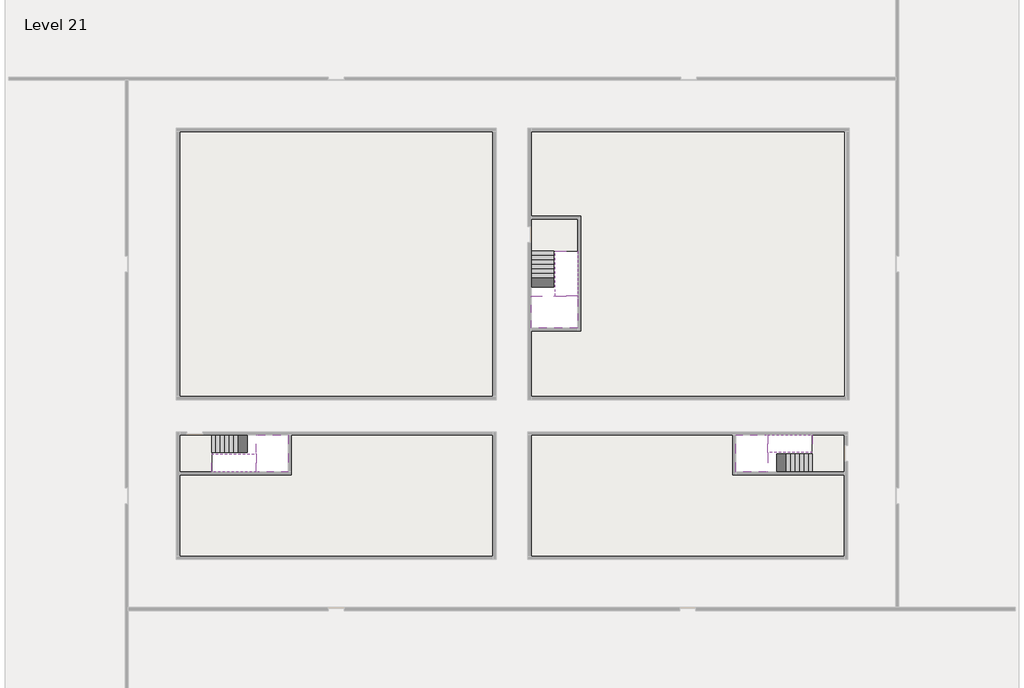
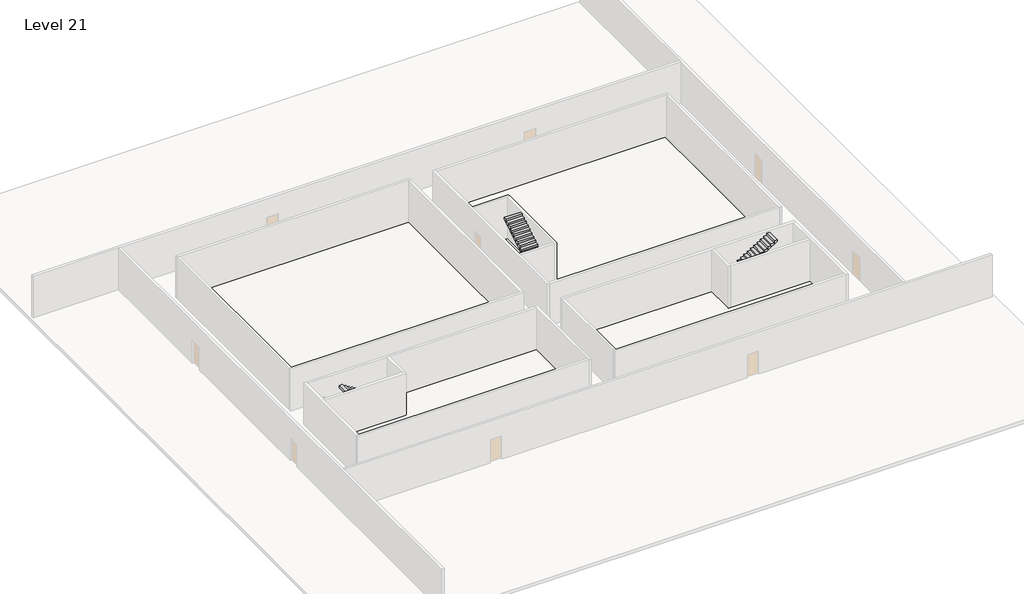
# One storey, part 2 of 2: 6 stair flights, 5 slabs.
"""IFC4 building model written with IfcOpenShell, lengths in millimetres."""

from ifc_helpers import new_model, si_unit, frame, origin, place, context, project, spatial, polyline, outline, extrude, faceted_brep, element, save

model = new_model("IFC4")

# Units and contexts
model_context = context("Model", 3, world=origin())
ifc_project = project(units=[si_unit("LENGTHUNIT", "METRE", prefix="MILLI")], contexts=[model_context])

# Site, building, storey
site = spatial("IfcSite", under=ifc_project)
building = spatial("IfcBuilding", under=site)
storey = spatial("IfcBuildingStorey", under=building, Name="Level 21", Elevation=76000.0)

# Slabs
placement = place(None, origin())
element("IfcSlab", 1, at=placement, inside=storey, context=model_context, shape_type="Brep", body=[
    faceted_brep([(8190.1058784, -42918.09644, 77900.0), (8190.1058784, -44018.09644, 77900.0), (8190.1058784, -44118.09644, 77900.0), (8190.1058784, -45218.09644, 77900.0), (8390.7194421, -45218.09644, 77900.0), (10190.1058784, -45218.09644, 77900.0), (10190.1058784, -42918.09644, 77900.0), (8269.4923146, -42918.09644, 77900.0), (8190.1058784, -42918.09644, 77727.2727273), (8190.1058784, -42918.09644, 77551.0278478), (8190.1058784, -44018.09644, 77551.0278478), (8190.1058784, -44018.09644, 77600.0), (8190.1058784, -44118.09644, 77600.0), (8190.1058784, -44118.09644, 77723.7551205), (8190.1058784, -45218.09644, 77723.7551205), (8390.7194421, -45218.09644, 77600.0), (10190.1058784, -45218.09644, 77600.0), (10190.1058784, -42918.09644, 77600.0), (8269.4923146, -42918.09644, 77600.0), (8390.7194421, -44118.09644, 77600.0), (8269.4923146, -44018.09644, 77600.0)], [[[0, 1, 2, 3, 4, 5, 6, 7]], [[1, 0, 8, 9, 10, 11]], [[2, 1, 11, 12, 13]], [[3, 2, 13, 14]], [[3, 14, 15, 16, 5, 4]], [[6, 5, 16, 17]], [[9, 8, 0, 7, 6, 17, 18]], [[19, 12, 11, 20, 18, 17, 16, 15]], [[12, 19, 13]], [[18, 20, 10, 9]], [[20, 11, 10]], [[19, 15, 14, 13]]]),
])
element("IfcSlab", 2, at=placement, inside=storey, context=model_context, shape_type="Brep", body=[
    faceted_brep([(40190.1058784, -45218.09644, 77900.0), (40190.1058784, -44118.09644, 77900.0), (40190.1058784, -44018.09644, 77900.0), (40190.1058784, -42918.09644, 77900.0), (39989.4923146, -42918.09644, 77900.0), (38190.1058784, -42918.09644, 77900.0), (38190.1058784, -45218.09644, 77900.0), (40110.7194421, -45218.09644, 77900.0), (40190.1058784, -45218.09644, 77727.2727273), (40190.1058784, -45218.09644, 77551.0278478), (40190.1058784, -44118.09644, 77551.0278478), (40190.1058784, -44118.09644, 77600.0), (40190.1058784, -44018.09644, 77600.0), (40190.1058784, -44018.09644, 77723.7551205), (40190.1058784, -42918.09644, 77723.7551205), (39989.4923146, -42918.09644, 77600.0), (38190.1058784, -42918.09644, 77600.0), (38190.1058784, -45218.09644, 77600.0), (40110.7194421, -45218.09644, 77600.0), (39989.4923146, -44018.09644, 77600.0), (40110.7194421, -44118.09644, 77600.0)], [[[0, 1, 2, 3, 4, 5, 6, 7]], [[1, 0, 8, 9, 10, 11]], [[2, 1, 11, 12, 13]], [[3, 2, 13, 14]], [[3, 14, 15, 16, 5, 4]], [[6, 5, 16, 17]], [[9, 8, 0, 7, 6, 17, 18]], [[19, 12, 11, 20, 18, 17, 16, 15]], [[12, 19, 13]], [[18, 20, 10, 9]], [[20, 11, 10]], [[19, 15, 14, 13]]]),
])
element("IfcSlab", 3, at=placement, inside=storey, context=model_context, shape_type="Brep", body=[
    faceted_brep([(26790.1058784, -34218.09644, 77900.0), (25390.1058784, -34218.09644, 77900.0), (25390.1058784, -34297.4828763, 77900.0), (25390.1058784, -36218.09644, 77900.0), (28290.1058784, -36218.09644, 77900.0), (28290.1058784, -34418.7100038, 77900.0), (28290.1058784, -34218.09644, 77900.0), (26890.1058784, -34218.09644, 77900.0), (26790.1058784, -34218.09644, 77600.0), (26790.1058784, -34218.09644, 77551.0278478), (25390.1058784, -34218.09644, 77551.0278478), (25390.1058784, -34218.09644, 77727.2727273), (25390.1058784, -34297.4828763, 77600.0), (25390.1058784, -36218.09644, 77600.0), (28290.1058784, -36218.09644, 77600.0), (28290.1058784, -34418.7100038, 77600.0), (28290.1058784, -34218.09644, 77723.7551205), (26890.1058784, -34218.09644, 77723.7551205), (26890.1058784, -34218.09644, 77600.0), (26890.1058784, -34418.7100038, 77600.0), (26790.1058784, -34297.4828763, 77600.0)], [[[0, 1, 2, 3, 4, 5, 6, 7]], [[1, 0, 8, 9, 10, 11]], [[1, 11, 10, 12, 13, 3, 2]], [[4, 3, 13, 14]], [[4, 14, 15, 16, 6, 5]], [[7, 6, 16, 17]], [[0, 7, 17, 18, 8]], [[18, 19, 15, 14, 13, 12, 20, 8]], [[19, 18, 17]], [[20, 12, 10, 9]], [[8, 20, 9]], [[15, 19, 17, 16]]]),
])
element("IfcSlab", 4, at=placement, inside=storey, context=model_context, shape_type="SweptSolid", body=[
    extrude(outline(polyline([(22990.1058784, -23918.09644), (22990.1058784, -40518.09644), (3390.1058784, -40518.09644), (3390.1058784, -23918.09644), (22990.1058784, -23918.09644)])), frame((0.0, 0.0, 75700.0), z_axis=(0.0, 0.0, 1.0), x_axis=(1.0, 0.0, 0.0)), (0.0, 0.0, 1.0), 300.0),
    extrude(outline(polyline([(44990.1058784, -23918.09644), (44990.1058784, -40518.09644), (25390.1058784, -40518.09644), (25390.1058784, -36418.09644), (28490.1058784, -36418.09644), (28490.1058784, -29218.09644), (25390.1058784, -29218.09644), (25390.1058784, -23918.09644), (44990.1058784, -23918.09644)])), frame((0.0, 0.0, 75700.0), z_axis=(0.0, 0.0, 1.0), x_axis=(1.0, 0.0, 0.0)), (0.0, 0.0, 1.0), 300.0),
    extrude(outline(polyline([(22990.1058784, -42918.09644), (22990.1058784, -50518.09644), (3390.1058784, -50518.09644), (3390.1058784, -45418.09644), (10390.1058784, -45418.09644), (10390.1058784, -42918.09644), (22990.1058784, -42918.09644)])), frame((0.0, 0.0, 75700.0), z_axis=(0.0, 0.0, 1.0), x_axis=(1.0, 0.0, 0.0)), (0.0, 0.0, 1.0), 300.0),
    extrude(outline(polyline([(37990.1058784, -42918.09644), (37990.1058784, -45418.09644), (44990.1058784, -45418.09644), (44990.1058784, -50518.09644), (25390.1058784, -50518.09644), (25390.1058784, -42918.09644), (37990.1058784, -42918.09644)])), frame((0.0, 0.0, 75700.0), z_axis=(0.0, 0.0, 1.0), x_axis=(1.0, 0.0, 0.0)), (0.0, 0.0, 1.0), 300.0),
])
element("IfcSlab", 5, at=placement, inside=storey, context=model_context, shape_type="SweptSolid", body=[
    extrude(outline(polyline([(44990.1058784, -42918.09644), (44990.1058784, -45218.09644), (42990.1058784, -45218.09644), (42990.1058784, -42918.09644), (44990.1058784, -42918.09644)])), frame((0.0, 0.0, 75700.0), z_axis=(0.0, 0.0, 1.0), x_axis=(1.0, 0.0, 0.0)), (0.0, 0.0, 1.0), 300.0),
    extrude(outline(polyline([(5390.1058784, -42918.09644), (5390.1058784, -45218.09644), (3390.1058784, -45218.09644), (3390.1058784, -42918.09644), (5390.1058784, -42918.09644)])), frame((0.0, 0.0, 75700.0), z_axis=(0.0, 0.0, 1.0), x_axis=(1.0, 0.0, 0.0)), (0.0, 0.0, 1.0), 300.0),
    extrude(outline(polyline([(28290.1058784, -29418.09644), (28290.1058784, -31418.09644), (25390.1058784, -31418.09644), (25390.1058784, -29418.09644), (28290.1058784, -29418.09644)])), frame((0.0, 0.0, 75700.0), z_axis=(0.0, 0.0, 1.0), x_axis=(1.0, 0.0, 0.0)), (0.0, 0.0, 1.0), 300.0),
])

# Stair flights
element("IfcStairFlight", 6, at=placement, inside=storey, context=model_context, shape_type="Brep", body=[
    faceted_brep([(5670.1058784, -42918.09644, 76172.7272727), (5390.1058784, -42918.09644, 76172.7272727), (5390.1058784, -44018.09644, 76172.7272727), (5670.1058784, -44018.09644, 76172.7272727), (5670.1058784, -42918.09644, 76000.0), (5390.1058784, -42918.09644, 76000.0), (5390.1058784, -44018.09644, 76000.0), (5670.1058784, -44018.09644, 76000.0), (5950.1058784, -42918.09644, 76345.4545455), (5670.1058784, -42918.09644, 76345.4545455), (5670.1058784, -44018.09644, 76345.4545455), (5950.1058784, -44018.09644, 76345.4545455), (5950.1058784, -42918.09644, 76169.209666), (5675.8081041, -42918.09644, 76000.0), (5675.8081041, -44018.09644, 76000.0), (5950.1058784, -44018.09644, 76169.209666), (6230.1058784, -42918.09644, 76518.1818182), (5950.1058784, -42918.09644, 76518.1818182), (5950.1058784, -44018.09644, 76518.1818182), (6230.1058784, -44018.09644, 76518.1818182), (6230.1058784, -42918.09644, 76341.9369387), (6230.1058784, -44018.09644, 76341.9369387), (6510.1058784, -42918.09644, 76690.9090909), (6230.1058784, -42918.09644, 76690.9090909), (6230.1058784, -44018.09644, 76690.9090909), (6510.1058784, -44018.09644, 76690.9090909), (6510.1058784, -42918.09644, 76514.6642114), (6510.1058784, -44018.09644, 76514.6642114), (6790.1058784, -42918.09644, 76863.6363636), (6510.1058784, -42918.09644, 76863.6363636), (6510.1058784, -44018.09644, 76863.6363636), (6790.1058784, -44018.09644, 76863.6363636), (6790.1058784, -42918.09644, 76687.3914841), (6790.1058784, -44018.09644, 76687.3914841), (7070.1058784, -42918.09644, 77036.3636364), (6790.1058784, -42918.09644, 77036.3636364), (6790.1058784, -44018.09644, 77036.3636364), (7070.1058784, -44018.09644, 77036.3636364), (7070.1058784, -42918.09644, 76860.1187569), (7070.1058784, -44018.09644, 76860.1187569), (7350.1058784, -42918.09644, 77209.0909091), (7070.1058784, -42918.09644, 77209.0909091), (7070.1058784, -44018.09644, 77209.0909091), (7350.1058784, -44018.09644, 77209.0909091), (7350.1058784, -42918.09644, 77032.8460296), (7350.1058784, -44018.09644, 77032.8460296), (7630.1058784, -42918.09644, 77381.8181818), (7350.1058784, -42918.09644, 77381.8181818), (7350.1058784, -44018.09644, 77381.8181818), (7630.1058784, -44018.09644, 77381.8181818), (7630.1058784, -42918.09644, 77205.5733023), (7630.1058784, -44018.09644, 77205.5733023), (7910.1058784, -42918.09644, 77554.5454545), (7630.1058784, -42918.09644, 77554.5454545), (7630.1058784, -44018.09644, 77554.5454545), (7910.1058784, -44018.09644, 77554.5454545), (7910.1058784, -42918.09644, 77378.3005751), (7910.1058784, -44018.09644, 77378.3005751), (8190.1058784, -42918.09644, 77727.2727273), (7910.1058784, -42918.09644, 77727.2727273), (7910.1058784, -44018.09644, 77727.2727273), (8190.1058784, -44018.09644, 77727.2727273), (8190.1058784, -42918.09644, 77551.0278478), (8190.1058784, -44018.09644, 77551.0278478), (8190.1058784, -44018.09644, 77600.0)], [[[0, 1, 2, 3]], [[1, 0, 4, 5]], [[2, 1, 5, 6]], [[3, 2, 6, 7]], [[8, 9, 10, 11]], [[4, 0, 9, 8, 12, 13]], [[0, 3, 10, 9]], [[3, 7, 14, 15, 11, 10]], [[16, 17, 18, 19]], [[17, 16, 20, 12, 8]], [[8, 11, 18, 17]], [[19, 18, 11, 15, 21]], [[22, 23, 24, 25]], [[23, 22, 26, 20, 16]], [[16, 19, 24, 23]], [[25, 24, 19, 21, 27]], [[28, 29, 30, 31]], [[29, 28, 32, 26, 22]], [[22, 25, 30, 29]], [[31, 30, 25, 27, 33]], [[34, 35, 36, 37]], [[35, 34, 38, 32, 28]], [[28, 31, 36, 35]], [[37, 36, 31, 33, 39]], [[40, 41, 42, 43]], [[41, 40, 44, 38, 34]], [[34, 37, 42, 41]], [[43, 42, 37, 39, 45]], [[46, 47, 48, 49]], [[47, 46, 50, 44, 40]], [[40, 43, 48, 47]], [[49, 48, 43, 45, 51]], [[52, 53, 54, 55]], [[53, 52, 56, 50, 46]], [[46, 49, 54, 53]], [[55, 54, 49, 51, 57]], [[58, 59, 60, 61]], [[59, 58, 62, 56, 52]], [[52, 55, 60, 59]], [[61, 60, 55, 57, 63, 64]], [[58, 61, 64, 63, 62]], [[5, 4, 13, 14, 7, 6]], [[14, 13, 12, 20, 26, 32, 38, 44, 50, 56, 62, 63, 57, 51, 45, 39, 33, 27, 21, 15]]]),
])
element("IfcStairFlight", 7, at=placement, inside=storey, context=model_context, shape_type="Brep", body=[
    faceted_brep([(7910.1058784, -45218.09644, 78072.7272727), (8190.1058784, -45218.09644, 78072.7272727), (8190.1058784, -44118.09644, 78072.7272727), (7910.1058784, -44118.09644, 78072.7272727), (7910.1058784, -45218.09644, 77896.4823932), (8190.1058784, -45218.09644, 77723.7551205), (8190.1058784, -45218.09644, 77900.0), (8190.1058784, -44118.09644, 77723.7551205), (7910.1058784, -44118.09644, 77896.4823932), (7630.1058784, -45218.09644, 78245.4545455), (7910.1058784, -45218.09644, 78245.4545455), (7910.1058784, -44118.09644, 78245.4545455), (7630.1058784, -44118.09644, 78245.4545455), (7630.1058784, -45218.09644, 78069.209666), (7630.1058784, -44118.09644, 78069.209666), (7350.1058784, -45218.09644, 78418.1818182), (7630.1058784, -45218.09644, 78418.1818182), (7630.1058784, -44118.09644, 78418.1818182), (7350.1058784, -44118.09644, 78418.1818182), (7350.1058784, -45218.09644, 78241.9369387), (7350.1058784, -44118.09644, 78241.9369387), (7070.1058784, -45218.09644, 78590.9090909), (7350.1058784, -45218.09644, 78590.9090909), (7350.1058784, -44118.09644, 78590.9090909), (7070.1058784, -44118.09644, 78590.9090909), (7070.1058784, -45218.09644, 78414.6642114), (7070.1058784, -44118.09644, 78414.6642114), (6790.1058784, -45218.09644, 78763.6363636), (7070.1058784, -45218.09644, 78763.6363636), (7070.1058784, -44118.09644, 78763.6363636), (6790.1058784, -44118.09644, 78763.6363636), (6790.1058784, -45218.09644, 78587.3914841), (6790.1058784, -44118.09644, 78587.3914841), (6510.1058784, -45218.09644, 78936.3636364), (6790.1058784, -45218.09644, 78936.3636364), (6790.1058784, -44118.09644, 78936.3636364), (6510.1058784, -44118.09644, 78936.3636364), (6510.1058784, -45218.09644, 78760.1187569), (6510.1058784, -44118.09644, 78760.1187569), (6230.1058784, -45218.09644, 79109.0909091), (6510.1058784, -45218.09644, 79109.0909091), (6510.1058784, -44118.09644, 79109.0909091), (6230.1058784, -44118.09644, 79109.0909091), (6230.1058784, -45218.09644, 78932.8460296), (6230.1058784, -44118.09644, 78932.8460296), (5950.1058784, -45218.09644, 79281.8181818), (6230.1058784, -45218.09644, 79281.8181818), (6230.1058784, -44118.09644, 79281.8181818), (5950.1058784, -44118.09644, 79281.8181818), (5950.1058784, -45218.09644, 79105.5733023), (5950.1058784, -44118.09644, 79105.5733023), (5670.1058784, -45218.09644, 79454.5454545), (5950.1058784, -45218.09644, 79454.5454545), (5950.1058784, -44118.09644, 79454.5454545), (5670.1058784, -44118.09644, 79454.5454545), (5670.1058784, -45218.09644, 79278.3005751), (5670.1058784, -44118.09644, 79278.3005751), (5390.1058784, -45218.09644, 79627.2727273), (5670.1058784, -45218.09644, 79627.2727273), (5670.1058784, -44118.09644, 79627.2727273), (5390.1058784, -44118.09644, 79627.2727273), (5390.1058784, -45218.09644, 79451.0278478), (5390.1058784, -44118.09644, 79451.0278478)], [[[0, 1, 2, 3]], [[1, 0, 4, 5, 6]], [[2, 1, 6, 5, 7]], [[3, 2, 7, 8]], [[9, 10, 11, 12]], [[10, 9, 13, 4, 0]], [[11, 10, 0, 3]], [[12, 11, 3, 8, 14]], [[15, 16, 17, 18]], [[16, 15, 19, 13, 9]], [[17, 16, 9, 12]], [[18, 17, 12, 14, 20]], [[21, 22, 23, 24]], [[22, 21, 25, 19, 15]], [[23, 22, 15, 18]], [[24, 23, 18, 20, 26]], [[27, 28, 29, 30]], [[28, 27, 31, 25, 21]], [[29, 28, 21, 24]], [[30, 29, 24, 26, 32]], [[33, 34, 35, 36]], [[34, 33, 37, 31, 27]], [[35, 34, 27, 30]], [[36, 35, 30, 32, 38]], [[39, 40, 41, 42]], [[40, 39, 43, 37, 33]], [[41, 40, 33, 36]], [[42, 41, 36, 38, 44]], [[45, 46, 47, 48]], [[46, 45, 49, 43, 39]], [[47, 46, 39, 42]], [[48, 47, 42, 44, 50]], [[51, 52, 53, 54]], [[52, 51, 55, 49, 45]], [[53, 52, 45, 48]], [[54, 53, 48, 50, 56]], [[57, 58, 59, 60]], [[58, 57, 61, 55, 51]], [[59, 58, 51, 54]], [[60, 59, 54, 56, 62]], [[57, 60, 62, 61]], [[5, 4, 13, 19, 25, 31, 37, 43, 49, 55, 61, 62, 56, 50, 44, 38, 32, 26, 20, 14, 8, 7]]]),
])
element("IfcStairFlight", 8, at=placement, inside=storey, context=model_context, shape_type="Brep", body=[
    faceted_brep([(42710.1058784, -45218.09644, 76172.7272727), (42990.1058784, -45218.09644, 76172.7272727), (42990.1058784, -44118.09644, 76172.7272727), (42710.1058784, -44118.09644, 76172.7272727), (42710.1058784, -45218.09644, 76000.0), (42990.1058784, -45218.09644, 76000.0), (42990.1058784, -44118.09644, 76000.0), (42710.1058784, -44118.09644, 76000.0), (42430.1058784, -45218.09644, 76345.4545455), (42710.1058784, -45218.09644, 76345.4545455), (42710.1058784, -44118.09644, 76345.4545455), (42430.1058784, -44118.09644, 76345.4545455), (42430.1058784, -45218.09644, 76169.209666), (42704.4036527, -45218.09644, 76000.0), (42704.4036527, -44118.09644, 76000.0), (42430.1058784, -44118.09644, 76169.209666), (42150.1058784, -45218.09644, 76518.1818182), (42430.1058784, -45218.09644, 76518.1818182), (42430.1058784, -44118.09644, 76518.1818182), (42150.1058784, -44118.09644, 76518.1818182), (42150.1058784, -45218.09644, 76341.9369387), (42150.1058784, -44118.09644, 76341.9369387), (41870.1058784, -45218.09644, 76690.9090909), (42150.1058784, -45218.09644, 76690.9090909), (42150.1058784, -44118.09644, 76690.9090909), (41870.1058784, -44118.09644, 76690.9090909), (41870.1058784, -45218.09644, 76514.6642114), (41870.1058784, -44118.09644, 76514.6642114), (41590.1058784, -45218.09644, 76863.6363636), (41870.1058784, -45218.09644, 76863.6363636), (41870.1058784, -44118.09644, 76863.6363636), (41590.1058784, -44118.09644, 76863.6363636), (41590.1058784, -45218.09644, 76687.3914841), (41590.1058784, -44118.09644, 76687.3914841), (41310.1058784, -45218.09644, 77036.3636364), (41590.1058784, -45218.09644, 77036.3636364), (41590.1058784, -44118.09644, 77036.3636364), (41310.1058784, -44118.09644, 77036.3636364), (41310.1058784, -45218.09644, 76860.1187569), (41310.1058784, -44118.09644, 76860.1187569), (41030.1058784, -45218.09644, 77209.0909091), (41310.1058784, -45218.09644, 77209.0909091), (41310.1058784, -44118.09644, 77209.0909091), (41030.1058784, -44118.09644, 77209.0909091), (41030.1058784, -45218.09644, 77032.8460296), (41030.1058784, -44118.09644, 77032.8460296), (40750.1058784, -45218.09644, 77381.8181818), (41030.1058784, -45218.09644, 77381.8181818), (41030.1058784, -44118.09644, 77381.8181818), (40750.1058784, -44118.09644, 77381.8181818), (40750.1058784, -45218.09644, 77205.5733023), (40750.1058784, -44118.09644, 77205.5733023), (40470.1058784, -45218.09644, 77554.5454545), (40750.1058784, -45218.09644, 77554.5454545), (40750.1058784, -44118.09644, 77554.5454545), (40470.1058784, -44118.09644, 77554.5454545), (40470.1058784, -45218.09644, 77378.3005751), (40470.1058784, -44118.09644, 77378.3005751), (40190.1058784, -45218.09644, 77727.2727273), (40470.1058784, -45218.09644, 77727.2727273), (40470.1058784, -44118.09644, 77727.2727273), (40190.1058784, -44118.09644, 77727.2727273), (40190.1058784, -45218.09644, 77551.0278478), (40190.1058784, -44118.09644, 77551.0278478), (40190.1058784, -44118.09644, 77600.0)], [[[0, 1, 2, 3]], [[1, 0, 4, 5]], [[2, 1, 5, 6]], [[3, 2, 6, 7]], [[8, 9, 10, 11]], [[4, 0, 9, 8, 12, 13]], [[0, 3, 10, 9]], [[3, 7, 14, 15, 11, 10]], [[16, 17, 18, 19]], [[17, 16, 20, 12, 8]], [[8, 11, 18, 17]], [[19, 18, 11, 15, 21]], [[22, 23, 24, 25]], [[23, 22, 26, 20, 16]], [[16, 19, 24, 23]], [[25, 24, 19, 21, 27]], [[28, 29, 30, 31]], [[29, 28, 32, 26, 22]], [[22, 25, 30, 29]], [[31, 30, 25, 27, 33]], [[34, 35, 36, 37]], [[35, 34, 38, 32, 28]], [[28, 31, 36, 35]], [[37, 36, 31, 33, 39]], [[40, 41, 42, 43]], [[41, 40, 44, 38, 34]], [[34, 37, 42, 41]], [[43, 42, 37, 39, 45]], [[46, 47, 48, 49]], [[47, 46, 50, 44, 40]], [[40, 43, 48, 47]], [[49, 48, 43, 45, 51]], [[52, 53, 54, 55]], [[53, 52, 56, 50, 46]], [[46, 49, 54, 53]], [[55, 54, 49, 51, 57]], [[58, 59, 60, 61]], [[59, 58, 62, 56, 52]], [[52, 55, 60, 59]], [[61, 60, 55, 57, 63, 64]], [[58, 61, 64, 63, 62]], [[5, 4, 13, 14, 7, 6]], [[14, 13, 12, 20, 26, 32, 38, 44, 50, 56, 62, 63, 57, 51, 45, 39, 33, 27, 21, 15]]]),
])
element("IfcStairFlight", 9, at=placement, inside=storey, context=model_context, shape_type="Brep", body=[
    faceted_brep([(40470.1058784, -42918.09644, 78072.7272727), (40190.1058784, -42918.09644, 78072.7272727), (40190.1058784, -44018.09644, 78072.7272727), (40470.1058784, -44018.09644, 78072.7272727), (40470.1058784, -42918.09644, 77896.4823932), (40190.1058784, -42918.09644, 77723.7551205), (40190.1058784, -42918.09644, 77900.0), (40190.1058784, -44018.09644, 77723.7551205), (40470.1058784, -44018.09644, 77896.4823932), (40750.1058784, -42918.09644, 78245.4545455), (40470.1058784, -42918.09644, 78245.4545455), (40470.1058784, -44018.09644, 78245.4545455), (40750.1058784, -44018.09644, 78245.4545455), (40750.1058784, -42918.09644, 78069.209666), (40750.1058784, -44018.09644, 78069.209666), (41030.1058784, -42918.09644, 78418.1818182), (40750.1058784, -42918.09644, 78418.1818182), (40750.1058784, -44018.09644, 78418.1818182), (41030.1058784, -44018.09644, 78418.1818182), (41030.1058784, -42918.09644, 78241.9369387), (41030.1058784, -44018.09644, 78241.9369387), (41310.1058784, -42918.09644, 78590.9090909), (41030.1058784, -42918.09644, 78590.9090909), (41030.1058784, -44018.09644, 78590.9090909), (41310.1058784, -44018.09644, 78590.9090909), (41310.1058784, -42918.09644, 78414.6642114), (41310.1058784, -44018.09644, 78414.6642114), (41590.1058784, -42918.09644, 78763.6363636), (41310.1058784, -42918.09644, 78763.6363636), (41310.1058784, -44018.09644, 78763.6363636), (41590.1058784, -44018.09644, 78763.6363636), (41590.1058784, -42918.09644, 78587.3914841), (41590.1058784, -44018.09644, 78587.3914841), (41870.1058784, -42918.09644, 78936.3636364), (41590.1058784, -42918.09644, 78936.3636364), (41590.1058784, -44018.09644, 78936.3636364), (41870.1058784, -44018.09644, 78936.3636364), (41870.1058784, -42918.09644, 78760.1187569), (41870.1058784, -44018.09644, 78760.1187569), (42150.1058784, -42918.09644, 79109.0909091), (41870.1058784, -42918.09644, 79109.0909091), (41870.1058784, -44018.09644, 79109.0909091), (42150.1058784, -44018.09644, 79109.0909091), (42150.1058784, -42918.09644, 78932.8460296), (42150.1058784, -44018.09644, 78932.8460296), (42430.1058784, -42918.09644, 79281.8181818), (42150.1058784, -42918.09644, 79281.8181818), (42150.1058784, -44018.09644, 79281.8181818), (42430.1058784, -44018.09644, 79281.8181818), (42430.1058784, -42918.09644, 79105.5733023), (42430.1058784, -44018.09644, 79105.5733023), (42710.1058784, -42918.09644, 79454.5454545), (42430.1058784, -42918.09644, 79454.5454545), (42430.1058784, -44018.09644, 79454.5454545), (42710.1058784, -44018.09644, 79454.5454545), (42710.1058784, -42918.09644, 79278.3005751), (42710.1058784, -44018.09644, 79278.3005751), (42990.1058784, -42918.09644, 79627.2727273), (42710.1058784, -42918.09644, 79627.2727273), (42710.1058784, -44018.09644, 79627.2727273), (42990.1058784, -44018.09644, 79627.2727273), (42990.1058784, -42918.09644, 79451.0278478), (42990.1058784, -44018.09644, 79451.0278478)], [[[0, 1, 2, 3]], [[1, 0, 4, 5, 6]], [[2, 1, 6, 5, 7]], [[3, 2, 7, 8]], [[9, 10, 11, 12]], [[10, 9, 13, 4, 0]], [[11, 10, 0, 3]], [[12, 11, 3, 8, 14]], [[15, 16, 17, 18]], [[16, 15, 19, 13, 9]], [[17, 16, 9, 12]], [[18, 17, 12, 14, 20]], [[21, 22, 23, 24]], [[22, 21, 25, 19, 15]], [[23, 22, 15, 18]], [[24, 23, 18, 20, 26]], [[27, 28, 29, 30]], [[28, 27, 31, 25, 21]], [[29, 28, 21, 24]], [[30, 29, 24, 26, 32]], [[33, 34, 35, 36]], [[34, 33, 37, 31, 27]], [[35, 34, 27, 30]], [[36, 35, 30, 32, 38]], [[39, 40, 41, 42]], [[40, 39, 43, 37, 33]], [[41, 40, 33, 36]], [[42, 41, 36, 38, 44]], [[45, 46, 47, 48]], [[46, 45, 49, 43, 39]], [[47, 46, 39, 42]], [[48, 47, 42, 44, 50]], [[51, 52, 53, 54]], [[52, 51, 55, 49, 45]], [[53, 52, 45, 48]], [[54, 53, 48, 50, 56]], [[57, 58, 59, 60]], [[58, 57, 61, 55, 51]], [[59, 58, 51, 54]], [[60, 59, 54, 56, 62]], [[57, 60, 62, 61]], [[5, 4, 13, 19, 25, 31, 37, 43, 49, 55, 61, 62, 56, 50, 44, 38, 32, 26, 20, 14, 8, 7]]]),
])
element("IfcStairFlight", 10, at=placement, inside=storey, context=model_context, shape_type="Brep", body=[
    faceted_brep([(26790.1058784, -31698.09644, 76172.7272727), (26790.1058784, -31418.09644, 76172.7272727), (25390.1058784, -31418.09644, 76172.7272727), (25390.1058784, -31698.09644, 76172.7272727), (26790.1058784, -31698.09644, 76000.0), (26790.1058784, -31418.09644, 76000.0), (25390.1058784, -31418.09644, 76000.0), (25390.1058784, -31698.09644, 76000.0), (26790.1058784, -31978.09644, 76345.4545455), (26790.1058784, -31698.09644, 76345.4545455), (25390.1058784, -31698.09644, 76345.4545455), (25390.1058784, -31978.09644, 76345.4545455), (26790.1058784, -31978.09644, 76169.209666), (26790.1058784, -31703.7986657, 76000.0), (25390.1058784, -31703.7986657, 76000.0), (25390.1058784, -31978.09644, 76169.209666), (26790.1058784, -32258.09644, 76518.1818182), (26790.1058784, -31978.09644, 76518.1818182), (25390.1058784, -31978.09644, 76518.1818182), (25390.1058784, -32258.09644, 76518.1818182), (26790.1058784, -32258.09644, 76341.9369387), (25390.1058784, -32258.09644, 76341.9369387), (26790.1058784, -32538.09644, 76690.9090909), (26790.1058784, -32258.09644, 76690.9090909), (25390.1058784, -32258.09644, 76690.9090909), (25390.1058784, -32538.09644, 76690.9090909), (26790.1058784, -32538.09644, 76514.6642114), (25390.1058784, -32538.09644, 76514.6642114), (26790.1058784, -32818.09644, 76863.6363636), (26790.1058784, -32538.09644, 76863.6363636), (25390.1058784, -32538.09644, 76863.6363636), (25390.1058784, -32818.09644, 76863.6363636), (26790.1058784, -32818.09644, 76687.3914841), (25390.1058784, -32818.09644, 76687.3914841), (26790.1058784, -33098.09644, 77036.3636364), (26790.1058784, -32818.09644, 77036.3636364), (25390.1058784, -32818.09644, 77036.3636364), (25390.1058784, -33098.09644, 77036.3636364), (26790.1058784, -33098.09644, 76860.1187569), (25390.1058784, -33098.09644, 76860.1187569), (26790.1058784, -33378.09644, 77209.0909091), (26790.1058784, -33098.09644, 77209.0909091), (25390.1058784, -33098.09644, 77209.0909091), (25390.1058784, -33378.09644, 77209.0909091), (26790.1058784, -33378.09644, 77032.8460296), (25390.1058784, -33378.09644, 77032.8460296), (26790.1058784, -33658.09644, 77381.8181818), (26790.1058784, -33378.09644, 77381.8181818), (25390.1058784, -33378.09644, 77381.8181818), (25390.1058784, -33658.09644, 77381.8181818), (26790.1058784, -33658.09644, 77205.5733023), (25390.1058784, -33658.09644, 77205.5733023), (26790.1058784, -33938.09644, 77554.5454545), (26790.1058784, -33658.09644, 77554.5454545), (25390.1058784, -33658.09644, 77554.5454545), (25390.1058784, -33938.09644, 77554.5454545), (26790.1058784, -33938.09644, 77378.3005751), (25390.1058784, -33938.09644, 77378.3005751), (26790.1058784, -34218.09644, 77727.2727273), (26790.1058784, -33938.09644, 77727.2727273), (25390.1058784, -33938.09644, 77727.2727273), (25390.1058784, -34218.09644, 77727.2727273), (26790.1058784, -34218.09644, 77600.0), (26790.1058784, -34218.09644, 77551.0278478), (25390.1058784, -34218.09644, 77551.0278478)], [[[0, 1, 2, 3]], [[1, 0, 4, 5]], [[2, 1, 5, 6]], [[3, 2, 6, 7]], [[8, 9, 10, 11]], [[4, 0, 9, 8, 12, 13]], [[0, 3, 10, 9]], [[3, 7, 14, 15, 11, 10]], [[16, 17, 18, 19]], [[17, 16, 20, 12, 8]], [[8, 11, 18, 17]], [[19, 18, 11, 15, 21]], [[22, 23, 24, 25]], [[23, 22, 26, 20, 16]], [[16, 19, 24, 23]], [[25, 24, 19, 21, 27]], [[28, 29, 30, 31]], [[29, 28, 32, 26, 22]], [[22, 25, 30, 29]], [[31, 30, 25, 27, 33]], [[34, 35, 36, 37]], [[35, 34, 38, 32, 28]], [[28, 31, 36, 35]], [[37, 36, 31, 33, 39]], [[40, 41, 42, 43]], [[41, 40, 44, 38, 34]], [[34, 37, 42, 41]], [[43, 42, 37, 39, 45]], [[46, 47, 48, 49]], [[47, 46, 50, 44, 40]], [[40, 43, 48, 47]], [[49, 48, 43, 45, 51]], [[52, 53, 54, 55]], [[53, 52, 56, 50, 46]], [[46, 49, 54, 53]], [[55, 54, 49, 51, 57]], [[58, 59, 60, 61]], [[59, 58, 62, 63, 56, 52]], [[52, 55, 60, 59]], [[61, 60, 55, 57, 64]], [[58, 61, 64, 63, 62]], [[5, 4, 13, 14, 7, 6]], [[14, 13, 12, 20, 26, 32, 38, 44, 50, 56, 63, 64, 57, 51, 45, 39, 33, 27, 21, 15]]]),
])
element("IfcStairFlight", 11, at=placement, inside=storey, context=model_context, shape_type="Brep", body=[
    faceted_brep([(26890.1058784, -33938.09644, 78072.7272727), (26890.1058784, -34218.09644, 78072.7272727), (28290.1058784, -34218.09644, 78072.7272727), (28290.1058784, -33938.09644, 78072.7272727), (26890.1058784, -33938.09644, 77896.4823932), (26890.1058784, -34218.09644, 77723.7551205), (28290.1058784, -34218.09644, 77723.7551205), (28290.1058784, -34218.09644, 77900.0), (28290.1058784, -33938.09644, 77896.4823932), (26890.1058784, -33658.09644, 78245.4545455), (26890.1058784, -33938.09644, 78245.4545455), (28290.1058784, -33938.09644, 78245.4545455), (28290.1058784, -33658.09644, 78245.4545455), (26890.1058784, -33658.09644, 78069.209666), (28290.1058784, -33658.09644, 78069.209666), (26890.1058784, -33378.09644, 78418.1818182), (26890.1058784, -33658.09644, 78418.1818182), (28290.1058784, -33658.09644, 78418.1818182), (28290.1058784, -33378.09644, 78418.1818182), (26890.1058784, -33378.09644, 78241.9369387), (28290.1058784, -33378.09644, 78241.9369387), (26890.1058784, -33098.09644, 78590.9090909), (26890.1058784, -33378.09644, 78590.9090909), (28290.1058784, -33378.09644, 78590.9090909), (28290.1058784, -33098.09644, 78590.9090909), (26890.1058784, -33098.09644, 78414.6642114), (28290.1058784, -33098.09644, 78414.6642114), (26890.1058784, -32818.09644, 78763.6363636), (26890.1058784, -33098.09644, 78763.6363636), (28290.1058784, -33098.09644, 78763.6363636), (28290.1058784, -32818.09644, 78763.6363636), (26890.1058784, -32818.09644, 78587.3914841), (28290.1058784, -32818.09644, 78587.3914841), (26890.1058784, -32538.09644, 78936.3636364), (26890.1058784, -32818.09644, 78936.3636364), (28290.1058784, -32818.09644, 78936.3636364), (28290.1058784, -32538.09644, 78936.3636364), (26890.1058784, -32538.09644, 78760.1187569), (28290.1058784, -32538.09644, 78760.1187569), (26890.1058784, -32258.09644, 79109.0909091), (26890.1058784, -32538.09644, 79109.0909091), (28290.1058784, -32538.09644, 79109.0909091), (28290.1058784, -32258.09644, 79109.0909091), (26890.1058784, -32258.09644, 78932.8460296), (28290.1058784, -32258.09644, 78932.8460296), (26890.1058784, -31978.09644, 79281.8181818), (26890.1058784, -32258.09644, 79281.8181818), (28290.1058784, -32258.09644, 79281.8181818), (28290.1058784, -31978.09644, 79281.8181818), (26890.1058784, -31978.09644, 79105.5733023), (28290.1058784, -31978.09644, 79105.5733023), (26890.1058784, -31698.09644, 79454.5454545), (26890.1058784, -31978.09644, 79454.5454545), (28290.1058784, -31978.09644, 79454.5454545), (28290.1058784, -31698.09644, 79454.5454545), (26890.1058784, -31698.09644, 79278.3005751), (28290.1058784, -31698.09644, 79278.3005751), (26890.1058784, -31418.09644, 79627.2727273), (26890.1058784, -31698.09644, 79627.2727273), (28290.1058784, -31698.09644, 79627.2727273), (28290.1058784, -31418.09644, 79627.2727273), (26890.1058784, -31418.09644, 79451.0278478), (28290.1058784, -31418.09644, 79451.0278478)], [[[0, 1, 2, 3]], [[1, 0, 4, 5]], [[2, 1, 5, 6, 7]], [[3, 2, 7, 6, 8]], [[9, 10, 11, 12]], [[10, 9, 13, 4, 0]], [[11, 10, 0, 3]], [[12, 11, 3, 8, 14]], [[15, 16, 17, 18]], [[16, 15, 19, 13, 9]], [[17, 16, 9, 12]], [[18, 17, 12, 14, 20]], [[21, 22, 23, 24]], [[22, 21, 25, 19, 15]], [[23, 22, 15, 18]], [[24, 23, 18, 20, 26]], [[27, 28, 29, 30]], [[28, 27, 31, 25, 21]], [[29, 28, 21, 24]], [[30, 29, 24, 26, 32]], [[33, 34, 35, 36]], [[34, 33, 37, 31, 27]], [[35, 34, 27, 30]], [[36, 35, 30, 32, 38]], [[39, 40, 41, 42]], [[40, 39, 43, 37, 33]], [[41, 40, 33, 36]], [[42, 41, 36, 38, 44]], [[45, 46, 47, 48]], [[46, 45, 49, 43, 39]], [[47, 46, 39, 42]], [[48, 47, 42, 44, 50]], [[51, 52, 53, 54]], [[52, 51, 55, 49, 45]], [[53, 52, 45, 48]], [[54, 53, 48, 50, 56]], [[57, 58, 59, 60]], [[58, 57, 61, 55, 51]], [[59, 58, 51, 54]], [[60, 59, 54, 56, 62]], [[57, 60, 62, 61]], [[5, 4, 13, 19, 25, 31, 37, 43, 49, 55, 61, 62, 56, 50, 44, 38, 32, 26, 20, 14, 8, 6]]]),
])

save(model, "model.ifc")
